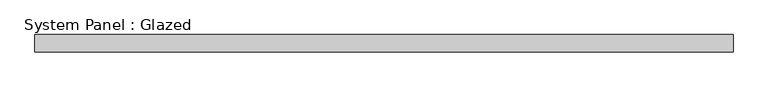
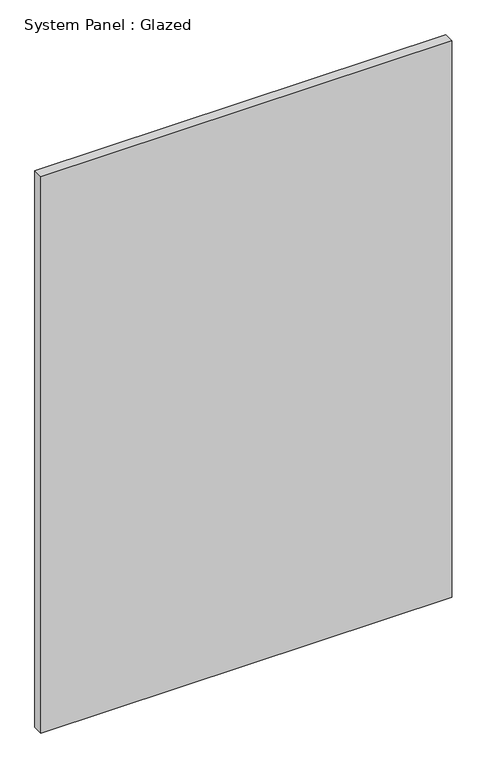
"""IFC4 building model written with IfcOpenShell, lengths in millimetres: plate geometry, System Panel : Glazed."""

from ifc_helpers import new_model, si_unit, origin, origin_with_axes, place, context, project, spatial, polyline, outline, extrude, source, transform, mapped, element, save


def system_panel_glazed_06a88755(model_context):
    return source(origin(), model_context, "Body", "SweptSolid", [
        extrude(outline(polyline([(508.0, -12.7), (-508.0, -12.7), (-508.0, 12.7), (508.0, 12.7), (508.0, -12.7)])), origin_with_axes(), (0.0, 0.0, 1.0), 1454.15),
    ])


if __name__ == "__main__":
    model = new_model("IFC4")
    model_context = context("Model", 3, world=origin())
    ifc_project = project(units=[si_unit("LENGTHUNIT", "METRE", prefix="MILLI")], contexts=[model_context])
    site = spatial("IfcSite", under=ifc_project)
    building = spatial("IfcBuilding", under=site)
    placement = place(None, origin())
    system_panel_glazed_shape = system_panel_glazed_06a88755(model_context)
    element("IfcPlate", 1, ObjectType="System Panel : Glazed", at=placement, inside=building, context=model_context, shape_type="MappedRepresentation", body=[
        mapped(system_panel_glazed_shape, transform((0.0, 0.0, 0.0), x_axis=(1.0, 0.0, 0.0), y_axis=(0.0, 1.0, 0.0), z_axis=(0.0, 0.0, 1.0))),
    ])
    save(model, "model.ifc")
